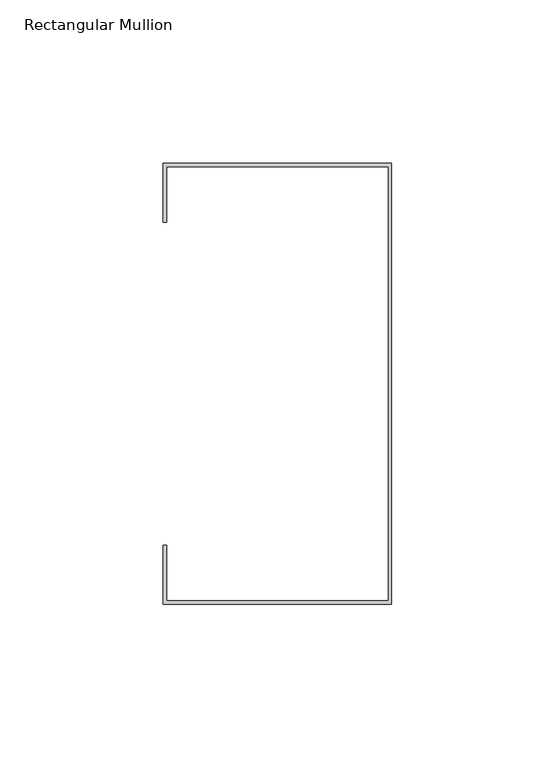
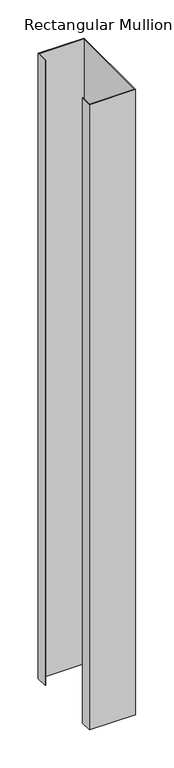
"""IFC4 building model written with IfcOpenShell, lengths in millimetres: member geometry, Rectangular Mullion."""

from ifc_helpers import new_model, si_unit, frame, origin, place, context, project, spatial, polyline, outline, extrude, source, transform, mapped, element, save


def rectangular_mullion_cc325364(model_context):
    return source(origin(), model_context, "Body", "SweptSolid", [
        extrude(outline(polyline([(-250.0, 159.9842182), (-250.0, 24.9842182), (-320.0, 24.9842182), (-320.0, 42.9842182), (-319.0, 42.9842182), (-319.0, 25.9842182), (-251.0, 25.9842182), (-251.0, 158.9842182), (-319.0, 158.9842182), (-319.0, 141.9842182), (-320.0, 141.9842182), (-320.0, 159.9842182), (-250.0, 159.9842182)])), frame((0.0, 0.0, -1000.0000003), z_axis=(0.0, 0.0, 1.0), x_axis=(1.0, 0.0, 0.0)), (0.0, 0.0, 1.0), 1000.0000003),
    ])


if __name__ == "__main__":
    model = new_model("IFC4")
    model_context = context("Model", 3, world=origin())
    ifc_project = project(units=[si_unit("LENGTHUNIT", "METRE", prefix="MILLI")], contexts=[model_context])
    site = spatial("IfcSite", under=ifc_project)
    building = spatial("IfcBuilding", under=site)
    placement = place(None, origin())
    rectangular_mullion_shape = rectangular_mullion_cc325364(model_context)
    element("IfcMember", 1, ObjectType="Rectangular Mullion", at=placement, inside=building, context=model_context, shape_type="MappedRepresentation", body=[
        mapped(rectangular_mullion_shape, transform((0.0, 0.0, 0.0), x_axis=(1.0, 0.0, 0.0), y_axis=(0.0, 1.0, 0.0), z_axis=(0.0, 0.0, 1.0))),
    ])
    save(model, "model.ifc")
